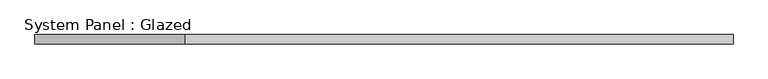
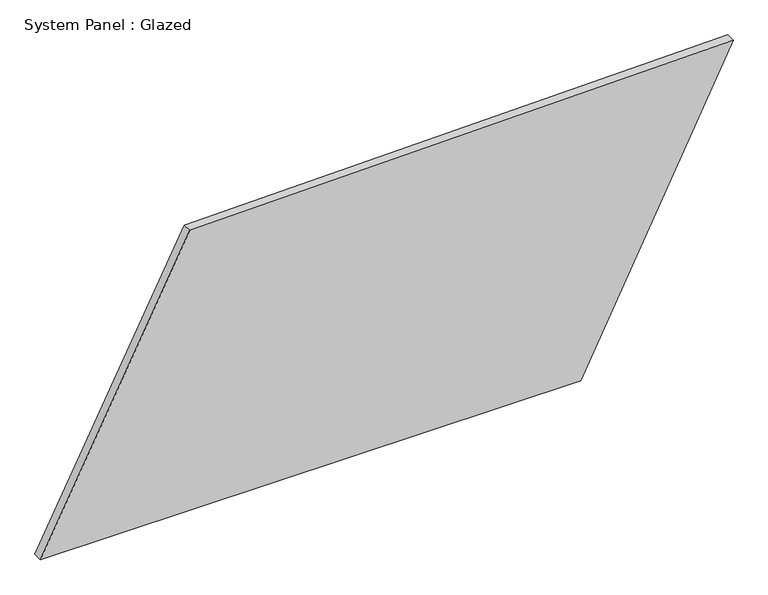
"""IFC4 building model written with IfcOpenShell, lengths in millimetres: plate geometry, System Panel : Glazed."""

from ifc_helpers import new_model, si_unit, frame, origin, place, context, project, spatial, polyline, outline, extrude, source, transform, mapped, element, save


def system_panel_glazed_80c0db64(model_context):
    return source(origin(), model_context, "Body", "SweptSolid", [
        extrude(outline(polyline([(0.0, -932.203149), (0.0, 521.8805642), (825.3024619, 932.203149), (796.2439443, -530.2419345), (0.0, -932.203149)])), frame((0.0, -49.5, 0.0), z_axis=(0.0, 1.0, 0.0), x_axis=(0.0, 0.0, 1.0)), (0.0, 0.0, 1.0), 25.0),
    ])


if __name__ == "__main__":
    model = new_model("IFC4")
    model_context = context("Model", 3, world=origin())
    ifc_project = project(units=[si_unit("LENGTHUNIT", "METRE", prefix="MILLI")], contexts=[model_context])
    site = spatial("IfcSite", under=ifc_project)
    building = spatial("IfcBuilding", under=site)
    placement = place(None, origin())
    system_panel_glazed_shape = system_panel_glazed_80c0db64(model_context)
    element("IfcPlate", 1, ObjectType="System Panel : Glazed", at=placement, inside=building, context=model_context, shape_type="MappedRepresentation", body=[
        mapped(system_panel_glazed_shape, transform((0.0, 0.0, 0.0), x_axis=(1.0, 0.0, 0.0), y_axis=(0.0, 1.0, 0.0), z_axis=(0.0, 0.0, 1.0))),
    ])
    save(model, "model.ifc")
